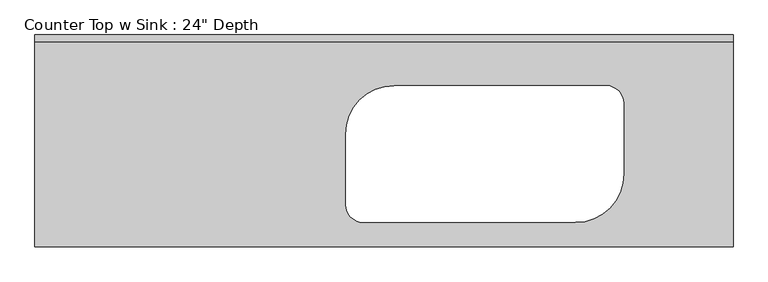
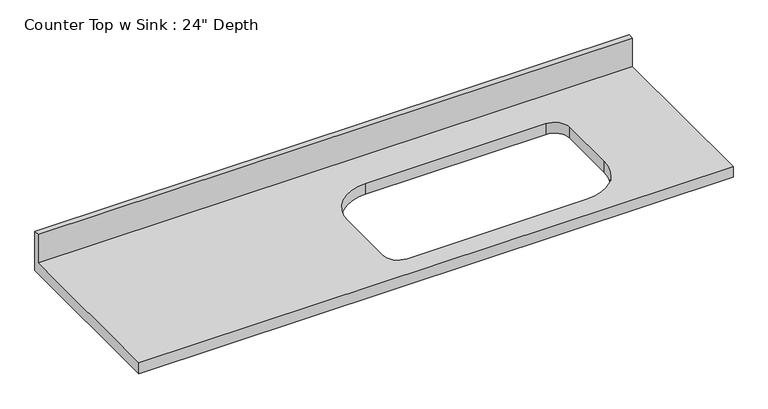
"""IFC4 building model written with IfcOpenShell, lengths in millimetres: furniture geometry."""

from ifc_helpers import new_model, si_unit, frame, origin, place, context, project, spatial, polyline, circle_curve, source, transform, mapped, element, save
from ifc_brep_helpers import plane_surface, revolved_surface, advanced_brep


def furniture_aa492765(model_context):
    return source(origin(), model_context, "Body", "AdvancedBrep", [
        advanced_brep(
        [(-1200.4622951, -609.6, 914.4), (808.9752049, -609.6, 914.4), (808.9752049, -19.05, 914.4), (-1200.4622951, -19.05, 914.4), (-166.1779856, -146.05, 914.4), (443.4220144, -146.05, 914.4), (494.2220144, -196.85, 914.4), (494.2220144, -400.05, 914.4), (354.5220144, -539.75, 914.4), (-255.0779856, -539.75, 914.4), (-305.8779856, -488.95, 914.4), (-305.8779856, -285.75, 914.4), (808.9752049, 0.0, 876.3), (808.9752049, -609.6, 876.3), (-1200.4622951, -609.6, 876.3), (-1200.4622951, 0.0, 876.3), (443.4220144, -146.05, 876.3), (-166.1779856, -146.05, 876.3), (-305.8779856, -285.75, 876.3), (-305.8779856, -488.95, 876.3), (-255.0779856, -539.75, 876.3), (354.5220144, -539.75, 876.3), (494.2220144, -400.05, 876.3), (494.2220144, -196.85, 876.3), (-1200.4622951, 0.0, 1016.0), (808.9752049, 0.0, 1016.0), (-1200.4622951, -19.05, 1016.0), (808.9752049, -19.05, 1016.0)],
        [
            (0, 1),
            (1, 2),
            (2, 3),
            (3, 0),
            (4, 5),
            (5, 6, circle_curve(frame((443.4220144, -196.85, 914.4), z_axis=(0.0, 0.0, -1.0), x_axis=(1.0, 0.0, 0.0)), 50.8)),
            (6, 7),
            (7, 8, circle_curve(frame((354.5220144, -400.05, 914.4), z_axis=(0.0, 0.0, -1.0), x_axis=(1.0, 0.0, 0.0)), 139.7)),
            (8, 9),
            (9, 10, circle_curve(frame((-255.0779856, -488.95, 914.4), z_axis=(0.0, 0.0, -1.0), x_axis=(1.0, 0.0, 0.0)), 50.8)),
            (10, 11),
            (11, 4, circle_curve(frame((-166.1779856, -285.75, 914.4), z_axis=(0.0, 0.0, -1.0), x_axis=(1.0, 0.0, 0.0)), 139.7)),
            (12, 13),
            (13, 14),
            (14, 15),
            (15, 12),
            (16, 17),
            (17, 18, circle_curve(frame((-166.1779856, -285.75, 876.3), z_axis=(0.0, 0.0, 1.0), x_axis=(1.0, 0.0, 0.0)), 139.7)),
            (18, 19),
            (19, 20, circle_curve(frame((-255.0779856, -488.95, 876.3), z_axis=(0.0, 0.0, 1.0), x_axis=(1.0, 0.0, 0.0)), 50.8)),
            (20, 21),
            (21, 22, circle_curve(frame((354.5220144, -400.05, 876.3), z_axis=(0.0, 0.0, 1.0), x_axis=(1.0, 0.0, 0.0)), 139.7)),
            (22, 23),
            (23, 16, circle_curve(frame((443.4220144, -196.85, 876.3), z_axis=(0.0, 0.0, 1.0), x_axis=(1.0, 0.0, 0.0)), 50.8)),
            (15, 24),
            (24, 25),
            (25, 12),
            (14, 0),
            (3, 26),
            (26, 24),
            (13, 1),
            (25, 27),
            (27, 2),
            (26, 27),
            (4, 17),
            (16, 5),
            (11, 18),
            (10, 19),
            (9, 20),
            (8, 21),
            (7, 22),
            (6, 23),
        ],
        [
            plane_surface(frame((-1200.4622951, 0.0, 914.4), z_axis=(0.0, 0.0, 1.0), x_axis=(-1.0, 0.0, 0.0))),
            plane_surface(frame((-1200.4622951, 0.0, 876.3), z_axis=(0.0, 0.0, -1.0), x_axis=(1.0, 0.0, 0.0))),
            plane_surface(frame((808.9752049, 0.0, 914.4), z_axis=(0.0, 1.0, 0.0), x_axis=(0.0, 0.0, -1.0))),
            plane_surface(frame((-1200.4622951, 0.0, 914.4), z_axis=(-1.0, 0.0, 0.0), x_axis=(0.0, 0.0, -1.0))),
            plane_surface(frame((-1200.4622951, -609.6, 914.4), z_axis=(0.0, -1.0, 0.0), x_axis=(0.0, 0.0, -1.0))),
            plane_surface(frame((808.9752049, -609.6, 914.4), z_axis=(1.0, 0.0, 0.0), x_axis=(0.0, 0.0, -1.0))),
            plane_surface(frame((-1200.4622951, 0.0, 1016.0), z_axis=(0.0, 0.0, 1.0), x_axis=(0.0, -1.0, 0.0))),
            plane_surface(frame((-1200.4622951, -19.05, 1016.0), z_axis=(0.0, -1.0, 0.0), x_axis=(0.0, 0.0, -1.0))),
            plane_surface(frame((443.4220144, -146.05, 914.4), z_axis=(0.0, -1.0, 0.0), x_axis=(0.0, 0.0, -1.0))),
            revolved_surface(polyline([(-26.47798560000001, -285.75, 914.4), (-26.47798560000001, -285.75, 876.3)]), (-166.1779856, -285.75, 876.3), (0.0, 0.0, 1.0)),
            plane_surface(frame((-305.8779856, -285.75, 914.4), z_axis=(1.0, 0.0, 0.0), x_axis=(0.0, 0.0, -1.0))),
            revolved_surface(polyline([(-204.27798560000002, -488.95, 914.4), (-204.27798560000002, -488.95, 876.3)]), (-255.0779856, -488.95, 876.3), (0.0, 0.0, 1.0)),
            plane_surface(frame((-255.0779856, -539.75, 914.4), z_axis=(0.0, 1.0, 0.0), x_axis=(0.0, 0.0, -1.0))),
            revolved_surface(polyline([(494.2220144, -400.05, 914.4), (494.2220144, -400.05, 876.3)]), (354.5220144, -400.05, 876.3), (0.0, 0.0, 1.0)),
            plane_surface(frame((494.2220144, -400.05, 914.4), z_axis=(-1.0, 0.0, 0.0), x_axis=(0.0, 0.0, -1.0))),
            revolved_surface(polyline([(494.22201440000003, -196.85, 914.4), (494.22201440000003, -196.85, 876.3)]), (443.4220144, -196.85, 876.3), (0.0, 0.0, 1.0)),
        ],
        [
            (0, [[1, 2, 3, 4], [5, 6, 7, 8, 9, 10, 11, 12]]),
            (1, [[13, 14, 15, 16], [17, 18, 19, 20, 21, 22, 23, 24]]),
            (2, [[-16, 25, 26, 27]]),
            (3, [[-15, 28, -4, 29, 30, -25]]),
            (4, [[-1, -28, -14, 31]]),
            (5, [[-13, -27, 32, 33, -2, -31]]),
            (6, [[-30, 34, -32, -26]]),
            (7, [[-34, -29, -3, -33]]),
            (8, [[35, -17, 36, -5]]),
            (9, [[-35, -12, 37, -18]]),
            (10, [[-37, -11, 38, -19]]),
            (11, [[-38, -10, 39, -20]]),
            (12, [[-39, -9, 40, -21]]),
            (13, [[-40, -8, 41, -22]]),
            (14, [[-41, -7, 42, -23]]),
            (15, [[-36, -24, -42, -6]]),
        ],
    ),
    ])


if __name__ == "__main__":
    model = new_model("IFC4")
    model_context = context("Model", 3, world=origin())
    ifc_project = project(units=[si_unit("LENGTHUNIT", "METRE", prefix="MILLI")], contexts=[model_context])
    site = spatial("IfcSite", under=ifc_project)
    building = spatial("IfcBuilding", under=site)
    placement = place(None, origin())
    furniture_shape = furniture_aa492765(model_context)
    element("IfcFurniture", 1, ObjectType="Counter Top w Sink : 24\" Depth", at=placement, inside=building, context=model_context, shape_type="MappedRepresentation", body=[
        mapped(furniture_shape, transform((0.0, 0.0, 0.0), x_axis=(1.0, 0.0, 0.0), y_axis=(0.0, 1.0, 0.0), z_axis=(0.0, 0.0, 1.0))),
    ])
    save(model, "model.ifc")
